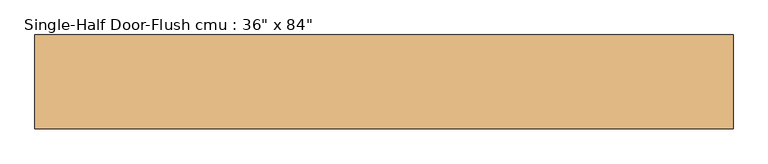
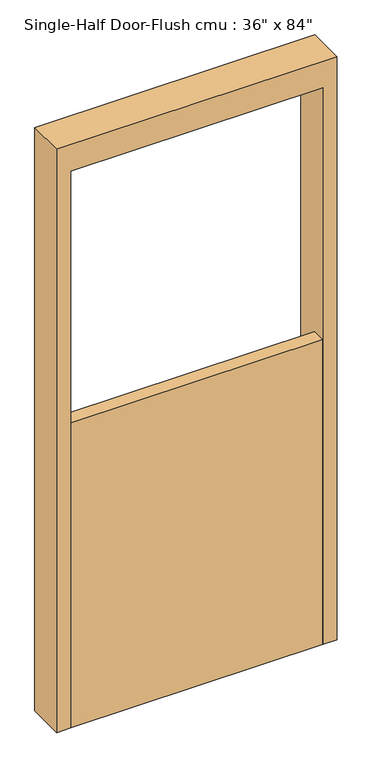
"""IFC4 building model written with IfcOpenShell, lengths in millimetres: door geometry."""

from ifc_helpers import new_model, si_unit, frame, origin, origin_with_axes, place, context, project, spatial, polyline, outline, extrude, source, transform, mapped, element, save


def door_d00b331c(model_context):
    return source(origin(), model_context, "Body", "SweptSolid", [
        extrude(outline(polyline([(2235.2, 508.0), (2235.2, -508.0), (0.0, -508.0), (0.0, -457.2), (2133.6, -457.2), (2133.6, 457.2), (0.0, 457.2), (0.0, 508.0), (2235.2, 508.0)])), frame((0.0, -68.2625, 0.0), z_axis=(0.0, 1.0, 0.0), x_axis=(0.0, 0.0, 1.0)), (0.0, 0.0, 1.0), 136.525),
        extrude(outline(polyline([(457.2, -17.4625), (457.2, -68.2625), (-457.2, -68.2625), (-457.2, -17.4625), (457.2, -17.4625)])), origin_with_axes(), (0.0, 0.0, 1.0), 1168.4),
    ])


if __name__ == "__main__":
    model = new_model("IFC4")
    model_context = context("Model", 3, world=origin())
    ifc_project = project(units=[si_unit("LENGTHUNIT", "METRE", prefix="MILLI")], contexts=[model_context])
    site = spatial("IfcSite", under=ifc_project)
    building = spatial("IfcBuilding", under=site)
    placement = place(None, origin())
    door_shape = door_d00b331c(model_context)
    element("IfcDoor", 1, ObjectType="Single-Half Door-Flush cmu : 36\" x 84\"", at=placement, inside=building, context=model_context, shape_type="MappedRepresentation", body=[
        mapped(door_shape, transform((0.0, 0.0, 0.0), x_axis=(1.0, 0.0, 0.0), y_axis=(0.0, 1.0, 0.0), z_axis=(0.0, 0.0, 1.0))),
    ])
    save(model, "model.ifc")
